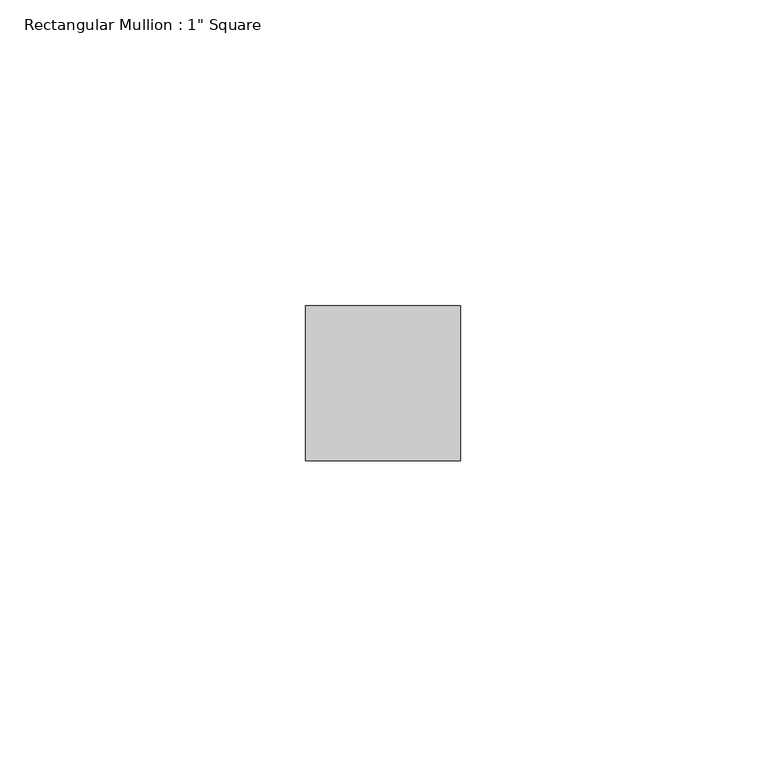
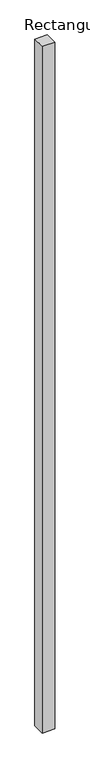
"""IFC4 building model written with IfcOpenShell, lengths in millimetres: member geometry."""

import ifcopenshell
import ifcopenshell.guid

model = None  # the IFC model being written
_history = None  # IfcOwnerHistory: only IFC2X3 demands one
_inside = {}  # id of a spatial element -> (the spatial element, [elements in it])
_under = {}  # id of a project, library or spatial element -> (it, [spatial elements below it])
_declared = {}  # id of a project -> (the project, [libraries it declares])
_typed = {}  # id of a type object -> (the type object, [elements of that type])
_made_of = {}  # id of a material, layer set ... -> (it, [elements and type objects made of it])


def new_model(schema):
    """Start an empty IFC model of exactly this schema.

    Asked for "IFC4X3", IfcOpenShell would pick the latest addendum, in which some entities
    have other attributes; the version numbers below select the first issue.
    IFC2X3 requires an IfcOwnerHistory on every rooted entity: one is made here for all.
    """
    global model, _history
    if schema == "IFC4X3":
        model = ifcopenshell.file(schema_version=(4, 3, 0, 0))
    else:
        model = ifcopenshell.file(schema=schema)
    _inside.clear()
    _under.clear()
    _declared.clear()
    _typed.clear()
    _made_of.clear()
    _history = None
    if model.schema == "IFC2X3":
        org = make("IfcOrganization", Name="unknown")
        user = make(
            "IfcPersonAndOrganization",
            ThePerson=make("IfcPerson", FamilyName="unknown"),
            TheOrganization=org,
        )
        app = make(
            "IfcApplication",
            ApplicationDeveloper=org,
            Version="unknown",
            ApplicationFullName="unknown",
            ApplicationIdentifier="unknown",
        )
        _history = make(
            "IfcOwnerHistory",
            OwningUser=user,
            OwningApplication=app,
            ChangeAction="ADDED",
            CreationDate=0,
        )
    return model


def make(cls, **values):
    """One entity of the class cls with the attributes given. An attribute that is None is left unset."""
    return model.create_entity(
        cls, **{name: value for name, value in values.items() if value is not None}
    )


def rooted(cls, **values):
    """An entity with a GlobalId (a new one), such as an element, a storey or a relation."""
    return make(cls, GlobalId=ifcopenshell.guid.new(), OwnerHistory=_history, **values)


def si_unit(unit_type, name, prefix=None):
    """IfcSIUnit, for example si_unit("LENGTHUNIT", "METRE", prefix="MILLI")."""
    return make("IfcSIUnit", UnitType=unit_type, Prefix=prefix, Name=name)


def assignment(units):
    """IfcUnitAssignment: the units of a project."""
    return None if units is None else make("IfcUnitAssignment", Units=units)


def point(xyz):
    """IfcCartesianPoint."""
    return None if xyz is None else make("IfcCartesianPoint", Coordinates=xyz)


def direction(xyz):
    """IfcDirection."""
    return None if xyz is None else make("IfcDirection", DirectionRatios=xyz)


def frame(location, z_axis=None, x_axis=None):
    """IfcAxis2Placement3D, a coordinate frame: its origin and axes. An axis left out is left unset."""
    return make(
        "IfcAxis2Placement3D",
        Location=point(location),
        Axis=direction(z_axis),
        RefDirection=direction(x_axis),
    )


def origin():
    """The frame at (0, 0, 0) with its axes left unset."""
    return frame((0.0, 0.0, 0.0))


def place(relative_to, where):
    """IfcLocalPlacement: puts the frame where relative to a parent placement (None: the world)."""
    return make(
        "IfcLocalPlacement", PlacementRelTo=relative_to, RelativePlacement=where
    )


def context(
    kind, dimensions, precision=None, world=None, true_north=None, identifier=None
):
    """IfcGeometricRepresentationContext, for example the 3D "Model" context."""
    return make(
        "IfcGeometricRepresentationContext",
        ContextIdentifier=identifier,
        ContextType=kind,
        CoordinateSpaceDimension=dimensions,
        Precision=precision,
        WorldCoordinateSystem=world,
        TrueNorth=true_north,
    )


def project(units=None, contexts=None):
    """IfcProject with its units and contexts."""
    return rooted(
        "IfcProject",
        Name="project",
        RepresentationContexts=contexts,
        UnitsInContext=assignment(units),
    )


def spatial(cls, under=None, at=None, **own):
    """A site, building, storey or space (cls), placed at a placement, below another one or the project."""
    s = rooted(cls, ObjectPlacement=at, **own)
    if under is not None:
        _under.setdefault(under.id(), (under, []))[1].append(s)
    return s


def polyline(points):
    """IfcPolyline through the points."""
    return make("IfcPolyline", Points=[point(p) for p in points])


def outline(outer, holes=None, kind="AREA"):
    """IfcArbitraryClosedProfileDef: a profile drawn as a closed curve; with holes, ...WithVoids."""
    if holes is None:
        return make("IfcArbitraryClosedProfileDef", ProfileType=kind, OuterCurve=outer)
    return make(
        "IfcArbitraryProfileDefWithVoids",
        ProfileType=kind,
        OuterCurve=outer,
        InnerCurves=holes,
    )


def extrude(swept, where, along, depth):
    """IfcExtrudedAreaSolid: the profile swept, set in the frame where, extruded along a direction by depth."""
    return make(
        "IfcExtrudedAreaSolid",
        SweptArea=swept,
        Position=where,
        ExtrudedDirection=direction(along),
        Depth=depth,
    )


def shape(context_of_items, identifier, shape_type, items):
    """IfcShapeRepresentation: the items that make up one representation, for example the "Body"."""
    return make(
        "IfcShapeRepresentation",
        ContextOfItems=context_of_items,
        RepresentationIdentifier=identifier,
        RepresentationType=shape_type,
        Items=items,
    )


def source(mapping_origin, context_of_items, identifier, shape_type, items):
    """IfcRepresentationMap: a shape defined once, which mapped items show again and again."""
    return make(
        "IfcRepresentationMap",
        MappingOrigin=mapping_origin,
        MappedRepresentation=shape(context_of_items, identifier, shape_type, items),
    )


def transform(
    local_origin,
    x_axis=None,
    y_axis=None,
    z_axis=None,
    scale=None,
    scale2=None,
    scale3=None,
    uniform=True,
):
    """IfcCartesianTransformationOperator3D, or its non-uniform kind. x_axis, y_axis, z_axis: its Axis1, 2, 3."""
    if uniform:
        return make(
            "IfcCartesianTransformationOperator3D",
            Axis1=direction(x_axis),
            Axis2=direction(y_axis),
            LocalOrigin=point(local_origin),
            Scale=scale,
            Axis3=direction(z_axis),
        )
    return make(
        "IfcCartesianTransformationOperator3DnonUniform",
        Axis1=direction(x_axis),
        Axis2=direction(y_axis),
        LocalOrigin=point(local_origin),
        Scale=scale,
        Axis3=direction(z_axis),
        Scale2=scale2,
        Scale3=scale3,
    )


def mapped(mapping_source, mapping_target):
    """IfcMappedItem: shows the shape of a source again, moved by a transform."""
    return make(
        "IfcMappedItem", MappingSource=mapping_source, MappingTarget=mapping_target
    )


def made_of(thing, what):
    """Note that an element or type object is made of a material, layer set ...; save() writes the relation."""
    if what is not None:
        _made_of.setdefault(what.id(), (what, []))[1].append(thing)
    return thing


def element(
    cls,
    number,
    at=None,
    inside=None,
    cuts=None,
    type_object=None,
    material=None,
    context=None,
    identifier="Body",
    shape_type=None,
    held_by="IfcProductDefinitionShape",
    body=None,
    shapes=None,
    **own,
):
    """One element of the class cls, such as IfcWall. Its Tag is "e" and its number.

    at: its placement. inside: the storey or other place that contains it. cuts: it is an
    opening in that element (IfcRelVoidsElement). A single representation is given by context,
    identifier, shape_type and body (its items); several are given by shapes. held_by: the class
    of the entity that holds the representations. save() writes the other relations.
    """
    e = rooted(cls, Tag="e%d" % number, ObjectPlacement=at, **own)
    if body is not None:
        shapes = [shape(context, identifier, shape_type, body)]
    if shapes is not None:
        e.Representation = make(held_by, Representations=shapes)
    if inside is not None:
        _inside.setdefault(inside.id(), (inside, []))[1].append(e)
    if cuts is not None:
        rooted(
            "IfcRelVoidsElement", RelatingBuildingElement=cuts, RelatedOpeningElement=e
        )
    if type_object is not None:
        _typed.setdefault(type_object.id(), (type_object, []))[1].append(e)
    return made_of(e, material)


def aggregate(whole, parts):
    """IfcRelAggregates: a whole, such as a stair, and the parts it consists of."""
    return rooted("IfcRelAggregates", RelatingObject=whole, RelatedObjects=parts)


def save(model, path):
    """Write the relations noted so far, then the file.

    IfcRelAggregates (storeys below a building ...), IfcRelContainedInSpatialStructure (elements
    in a storey), IfcRelDefinesByType, IfcRelAssociatesMaterial and IfcRelDeclares: one each for
    every whole, place, type object, material and project.
    """
    for whole, parts in _under.values():
        aggregate(whole, parts)
    for where, things in _inside.values():
        rooted(
            "IfcRelContainedInSpatialStructure",
            RelatedElements=things,
            RelatingStructure=where,
        )
    for kind, things in _typed.values():
        rooted("IfcRelDefinesByType", RelatedObjects=things, RelatingType=kind)
    for what, things in _made_of.values():
        rooted("IfcRelAssociatesMaterial", RelatedObjects=things, RelatingMaterial=what)
    for by, libraries in _declared.values():
        rooted("IfcRelDeclares", RelatingContext=by, RelatedDefinitions=libraries)
    model.write(path)


def member_623a4876(model_context):
    return source(origin(), model_context, "Body", "SweptSolid", [
        extrude(outline(polyline([(12.7, 12.7), (12.7, -12.7), (-12.7, -12.7), (-12.7, 12.7), (12.7, 12.7)])), frame((0.0, 0.0, -1466.8500002), z_axis=(0.0, 0.0, 1.0), x_axis=(1.0, 0.0, 0.0)), (0.0, 0.0, 1.0), 1466.8500002),
    ])


if __name__ == "__main__":
    model = new_model("IFC4")
    model_context = context("Model", 3, world=origin())
    ifc_project = project(units=[si_unit("LENGTHUNIT", "METRE", prefix="MILLI")], contexts=[model_context])
    site = spatial("IfcSite", under=ifc_project)
    building = spatial("IfcBuilding", under=site)
    placement = place(None, origin())
    member_shape = member_623a4876(model_context)
    element("IfcMember", 1, ObjectType="Rectangular Mullion : 1\" Square", at=placement, inside=building, context=model_context, shape_type="MappedRepresentation", body=[
        mapped(member_shape, transform((0.0, 0.0, 0.0), x_axis=(1.0, 0.0, 0.0), y_axis=(0.0, 1.0, 0.0), z_axis=(0.0, 0.0, 1.0))),
    ])
    save(model, "model.ifc")
